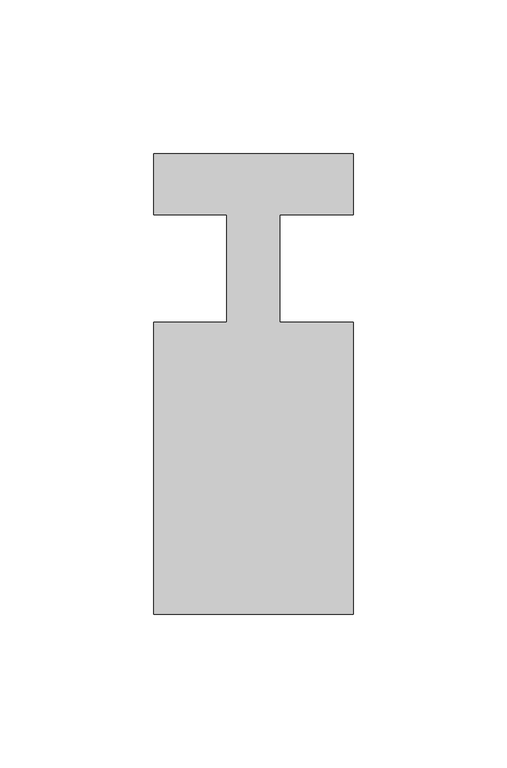
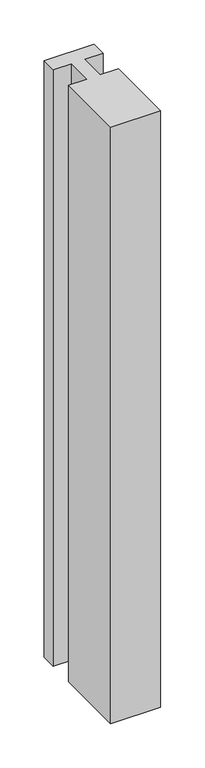
"""IFC4 building model written with IfcOpenShell, lengths in millimetres: member geometry."""

import ifcopenshell
import ifcopenshell.guid

model = None  # the IFC model being written
_history = None  # IfcOwnerHistory: only IFC2X3 demands one
_inside = {}  # id of a spatial element -> (the spatial element, [elements in it])
_under = {}  # id of a project, library or spatial element -> (it, [spatial elements below it])
_declared = {}  # id of a project -> (the project, [libraries it declares])
_typed = {}  # id of a type object -> (the type object, [elements of that type])
_made_of = {}  # id of a material, layer set ... -> (it, [elements and type objects made of it])


def new_model(schema):
    """Start an empty IFC model of exactly this schema.

    Asked for "IFC4X3", IfcOpenShell would pick the latest addendum, in which some entities
    have other attributes; the version numbers below select the first issue.
    IFC2X3 requires an IfcOwnerHistory on every rooted entity: one is made here for all.
    """
    global model, _history
    if schema == "IFC4X3":
        model = ifcopenshell.file(schema_version=(4, 3, 0, 0))
    else:
        model = ifcopenshell.file(schema=schema)
    _inside.clear()
    _under.clear()
    _declared.clear()
    _typed.clear()
    _made_of.clear()
    _history = None
    if model.schema == "IFC2X3":
        org = make("IfcOrganization", Name="unknown")
        user = make(
            "IfcPersonAndOrganization",
            ThePerson=make("IfcPerson", FamilyName="unknown"),
            TheOrganization=org,
        )
        app = make(
            "IfcApplication",
            ApplicationDeveloper=org,
            Version="unknown",
            ApplicationFullName="unknown",
            ApplicationIdentifier="unknown",
        )
        _history = make(
            "IfcOwnerHistory",
            OwningUser=user,
            OwningApplication=app,
            ChangeAction="ADDED",
            CreationDate=0,
        )
    return model


def make(cls, **values):
    """One entity of the class cls with the attributes given. An attribute that is None is left unset."""
    return model.create_entity(
        cls, **{name: value for name, value in values.items() if value is not None}
    )


def rooted(cls, **values):
    """An entity with a GlobalId (a new one), such as an element, a storey or a relation."""
    return make(cls, GlobalId=ifcopenshell.guid.new(), OwnerHistory=_history, **values)


def si_unit(unit_type, name, prefix=None):
    """IfcSIUnit, for example si_unit("LENGTHUNIT", "METRE", prefix="MILLI")."""
    return make("IfcSIUnit", UnitType=unit_type, Prefix=prefix, Name=name)


def assignment(units):
    """IfcUnitAssignment: the units of a project."""
    return None if units is None else make("IfcUnitAssignment", Units=units)


def point(xyz):
    """IfcCartesianPoint."""
    return None if xyz is None else make("IfcCartesianPoint", Coordinates=xyz)


def direction(xyz):
    """IfcDirection."""
    return None if xyz is None else make("IfcDirection", DirectionRatios=xyz)


def frame(location, z_axis=None, x_axis=None):
    """IfcAxis2Placement3D, a coordinate frame: its origin and axes. An axis left out is left unset."""
    return make(
        "IfcAxis2Placement3D",
        Location=point(location),
        Axis=direction(z_axis),
        RefDirection=direction(x_axis),
    )


def origin():
    """The frame at (0, 0, 0) with its axes left unset."""
    return frame((0.0, 0.0, 0.0))


def place(relative_to, where):
    """IfcLocalPlacement: puts the frame where relative to a parent placement (None: the world)."""
    return make(
        "IfcLocalPlacement", PlacementRelTo=relative_to, RelativePlacement=where
    )


def context(
    kind, dimensions, precision=None, world=None, true_north=None, identifier=None
):
    """IfcGeometricRepresentationContext, for example the 3D "Model" context."""
    return make(
        "IfcGeometricRepresentationContext",
        ContextIdentifier=identifier,
        ContextType=kind,
        CoordinateSpaceDimension=dimensions,
        Precision=precision,
        WorldCoordinateSystem=world,
        TrueNorth=true_north,
    )


def project(units=None, contexts=None):
    """IfcProject with its units and contexts."""
    return rooted(
        "IfcProject",
        Name="project",
        RepresentationContexts=contexts,
        UnitsInContext=assignment(units),
    )


def spatial(cls, under=None, at=None, **own):
    """A site, building, storey or space (cls), placed at a placement, below another one or the project."""
    s = rooted(cls, ObjectPlacement=at, **own)
    if under is not None:
        _under.setdefault(under.id(), (under, []))[1].append(s)
    return s


def polyline(points):
    """IfcPolyline through the points."""
    return make("IfcPolyline", Points=[point(p) for p in points])


def outline(outer, holes=None, kind="AREA"):
    """IfcArbitraryClosedProfileDef: a profile drawn as a closed curve; with holes, ...WithVoids."""
    if holes is None:
        return make("IfcArbitraryClosedProfileDef", ProfileType=kind, OuterCurve=outer)
    return make(
        "IfcArbitraryProfileDefWithVoids",
        ProfileType=kind,
        OuterCurve=outer,
        InnerCurves=holes,
    )


def extrude(swept, where, along, depth):
    """IfcExtrudedAreaSolid: the profile swept, set in the frame where, extruded along a direction by depth."""
    return make(
        "IfcExtrudedAreaSolid",
        SweptArea=swept,
        Position=where,
        ExtrudedDirection=direction(along),
        Depth=depth,
    )


def shape(context_of_items, identifier, shape_type, items):
    """IfcShapeRepresentation: the items that make up one representation, for example the "Body"."""
    return make(
        "IfcShapeRepresentation",
        ContextOfItems=context_of_items,
        RepresentationIdentifier=identifier,
        RepresentationType=shape_type,
        Items=items,
    )


def source(mapping_origin, context_of_items, identifier, shape_type, items):
    """IfcRepresentationMap: a shape defined once, which mapped items show again and again."""
    return make(
        "IfcRepresentationMap",
        MappingOrigin=mapping_origin,
        MappedRepresentation=shape(context_of_items, identifier, shape_type, items),
    )


def transform(
    local_origin,
    x_axis=None,
    y_axis=None,
    z_axis=None,
    scale=None,
    scale2=None,
    scale3=None,
    uniform=True,
):
    """IfcCartesianTransformationOperator3D, or its non-uniform kind. x_axis, y_axis, z_axis: its Axis1, 2, 3."""
    if uniform:
        return make(
            "IfcCartesianTransformationOperator3D",
            Axis1=direction(x_axis),
            Axis2=direction(y_axis),
            LocalOrigin=point(local_origin),
            Scale=scale,
            Axis3=direction(z_axis),
        )
    return make(
        "IfcCartesianTransformationOperator3DnonUniform",
        Axis1=direction(x_axis),
        Axis2=direction(y_axis),
        LocalOrigin=point(local_origin),
        Scale=scale,
        Axis3=direction(z_axis),
        Scale2=scale2,
        Scale3=scale3,
    )


def mapped(mapping_source, mapping_target):
    """IfcMappedItem: shows the shape of a source again, moved by a transform."""
    return make(
        "IfcMappedItem", MappingSource=mapping_source, MappingTarget=mapping_target
    )


def made_of(thing, what):
    """Note that an element or type object is made of a material, layer set ...; save() writes the relation."""
    if what is not None:
        _made_of.setdefault(what.id(), (what, []))[1].append(thing)
    return thing


def element(
    cls,
    number,
    at=None,
    inside=None,
    cuts=None,
    type_object=None,
    material=None,
    context=None,
    identifier="Body",
    shape_type=None,
    held_by="IfcProductDefinitionShape",
    body=None,
    shapes=None,
    **own,
):
    """One element of the class cls, such as IfcWall. Its Tag is "e" and its number.

    at: its placement. inside: the storey or other place that contains it. cuts: it is an
    opening in that element (IfcRelVoidsElement). A single representation is given by context,
    identifier, shape_type and body (its items); several are given by shapes. held_by: the class
    of the entity that holds the representations. save() writes the other relations.
    """
    e = rooted(cls, Tag="e%d" % number, ObjectPlacement=at, **own)
    if body is not None:
        shapes = [shape(context, identifier, shape_type, body)]
    if shapes is not None:
        e.Representation = make(held_by, Representations=shapes)
    if inside is not None:
        _inside.setdefault(inside.id(), (inside, []))[1].append(e)
    if cuts is not None:
        rooted(
            "IfcRelVoidsElement", RelatingBuildingElement=cuts, RelatedOpeningElement=e
        )
    if type_object is not None:
        _typed.setdefault(type_object.id(), (type_object, []))[1].append(e)
    return made_of(e, material)


def aggregate(whole, parts):
    """IfcRelAggregates: a whole, such as a stair, and the parts it consists of."""
    return rooted("IfcRelAggregates", RelatingObject=whole, RelatedObjects=parts)


def save(model, path):
    """Write the relations noted so far, then the file.

    IfcRelAggregates (storeys below a building ...), IfcRelContainedInSpatialStructure (elements
    in a storey), IfcRelDefinesByType, IfcRelAssociatesMaterial and IfcRelDeclares: one each for
    every whole, place, type object, material and project.
    """
    for whole, parts in _under.values():
        aggregate(whole, parts)
    for where, things in _inside.values():
        rooted(
            "IfcRelContainedInSpatialStructure",
            RelatedElements=things,
            RelatingStructure=where,
        )
    for kind, things in _typed.values():
        rooted("IfcRelDefinesByType", RelatedObjects=things, RelatingType=kind)
    for what, things in _made_of.values():
        rooted("IfcRelAssociatesMaterial", RelatedObjects=things, RelatingMaterial=what)
    for by, libraries in _declared.values():
        rooted("IfcRelDeclares", RelatingContext=by, RelatedDefinitions=libraries)
    model.write(path)


def member_306b0287(model_context):
    return source(origin(), model_context, "Body", "SweptSolid", [
        extrude(outline(polyline([(-65.0, 37.0), (0.0, 37.0), (0.0, 17.0), (-23.8125, 17.0), (-23.8125, -18.0), (0.0, -18.0), (0.0, -113.0), (-65.0, -113.0), (-65.0, -18.0), (-41.1875, -18.0), (-41.1875, 17.0), (-65.0, 17.0), (-65.0, 37.0)])), frame((0.0, 0.0, -820.2884118), z_axis=(0.0, 0.0, 1.0), x_axis=(1.0, 0.0, 0.0)), (0.0, 0.0, 1.0), 820.2884118),
    ])


if __name__ == "__main__":
    model = new_model("IFC4")
    model_context = context("Model", 3, world=origin())
    ifc_project = project(units=[si_unit("LENGTHUNIT", "METRE", prefix="MILLI")], contexts=[model_context])
    site = spatial("IfcSite", under=ifc_project)
    building = spatial("IfcBuilding", under=site)
    placement = place(None, origin())
    member_shape = member_306b0287(model_context)
    element("IfcMember", 1, at=placement, inside=building, context=model_context, shape_type="MappedRepresentation", body=[
        mapped(member_shape, transform((0.0, 0.0, 0.0), x_axis=(1.0, 0.0, 0.0), y_axis=(0.0, 1.0, 0.0), z_axis=(0.0, 0.0, 1.0))),
    ])
    save(model, "model.ifc")
